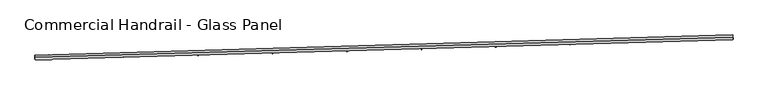
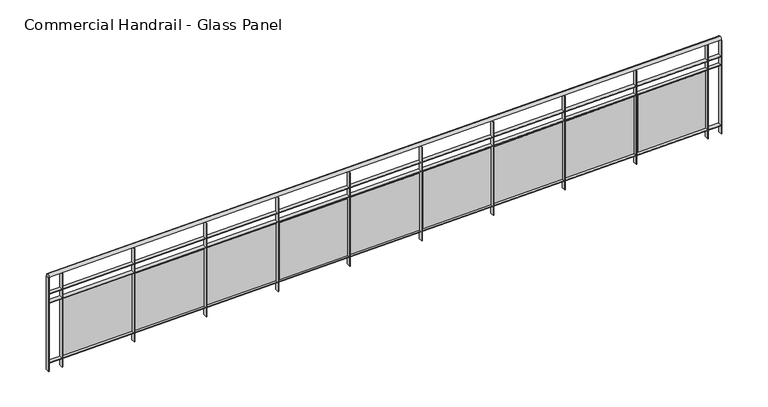
"""IFC4 building model written with IfcOpenShell, lengths in millimetres: railing geometry, Commercial Handrail - Glass Panel."""

from ifc_helpers import new_model, si_unit, point, frame, origin, place, context, project, spatial, polyline, circle_curve, ellipse_curve, trimmed, outline, extrude, source, transform, mapped, element, save
from ifc_brep_helpers import plane_surface, cylinder_surface, revolved_surface, advanced_brep


def commercial_handrail_glass_panel_e87361b5(model_context):
    return source(origin(), model_context, "Body", "SolidModel", [
        advanced_brep(
        [(92002.383663, -32667.3922557, 12882.5), (99494.9420754, -32451.0584411, 12882.5), (99494.9420754, -32451.0584411, 12917.5), (92002.383663, -32667.3922557, 12917.5)],
        [
            (0, 1, circle_curve(frame((80860.2598568, 483089.3774887, 12882.5), z_axis=(0.0, 0.0, 1.0), x_axis=(0.0361223280953345, -0.9993473757472788, 0.0)), 515877.1098432)),
            (1, 2, ellipse_curve(frame((99494.9420754, -32451.0584411, 12900.0), z_axis=(-0.9993473757472793, -0.03612232809532802, 0.0), x_axis=(-0.03612232809532801, 0.999347375747279, 0.0)), 25.0, 17.5)),
            (2, 3, circle_curve(frame((80860.2598568, 483089.3774887, 12917.5), z_axis=(0.0, 0.0, -1.0), x_axis=(0.0361223280953345, -0.9993473757472788, 0.0)), 515877.1098432)),
            (3, 0, ellipse_curve(frame((92002.383663, -32667.3922557, 12900.0), z_axis=(0.9997667271983505, 0.021598407050044104, 0.0), x_axis=(-0.0215984070500441, 0.9997667271983502, 0.0)), 25.0, 17.5)),
            (2, 1, ellipse_curve(frame((99494.9420754, -32451.0584411, 12900.0), z_axis=(-0.9993473757472793, -0.03612232809532802, 0.0), x_axis=(-0.03612232809532801, 0.999347375747279, 0.0)), 25.0, 17.5)),
            (0, 3, ellipse_curve(frame((92002.383663, -32667.3922557, 12900.0), z_axis=(0.9997667271983505, 0.021598407050044104, 0.0), x_axis=(-0.0215984070500441, 0.9997667271983502, 0.0)), 25.0, 17.5)),
        ],
        [
            revolved_surface(trimmed(ellipse_curve(frame((99494.9420754, -32451.0584411, 12900.0), z_axis=(0.9993473757472788, 0.036122328095334506, 0.0), x_axis=(0.0, 0.0, -1.0)), 17.5, 25.0), [point((99494.9420754, -32451.0584411, 12917.5))], [point((99494.9420754, -32451.0584411, 12882.5))], True, "CARTESIAN"), (80860.2598568, 483089.3774887, 12900.0), (0.0, 0.0, -1.0)),
            revolved_surface(trimmed(ellipse_curve(frame((99494.9420754, -32451.0584411, 12900.0), z_axis=(0.9993473757472788, 0.036122328095334506, 0.0), x_axis=(0.0, 0.0, -1.0)), 17.5, 25.0), [point((99494.9420754, -32451.0584411, 12882.5))], [point((99494.9420754, -32451.0584411, 12917.5))], True, "CARTESIAN"), (80860.2598568, 483089.3774887, 12900.0), (0.0, 0.0, -1.0)),
            plane_surface(frame((99494.9420754, -32451.0584411, 12900.0), z_axis=(0.9993473757472789, 0.03612232809533451, 0.0), x_axis=(0.03612232809533451, -0.9993473757472789, 0.0))),
            plane_surface(frame((92002.383663, -32667.3922557, 12900.0), z_axis=(-0.9997667271983504, -0.021598407050044077, 0.0), x_axis=(0.021598407050044077, -0.9997667271983504, 0.0))),
        ],
        [
            (0, [[1, 2, 3, 4]]),
            (1, [[-3, 5, -1, 6]]),
            (2, [[-2, -5]]),
            (3, [[-6, -4]]),
        ],
    ),
        advanced_brep(
        [(92002.8696271, -32689.8870071, 12700.0), (99495.7548278, -32473.5437571, 12700.0), (99494.129323, -32428.5731252, 12700.0), (92001.8976988, -32644.8975044, 12700.0), (92002.8696271, -32689.8870071, 12694.0), (99495.7548278, -32473.5437571, 12694.0), (92001.8976988, -32644.8975044, 12694.0), (99494.129323, -32428.5731252, 12694.0)],
        [
            (0, 1, circle_curve(frame((80860.2598568, 483089.3774887, 12700.0), z_axis=(0.0, 0.0, 1.0), x_axis=(0.0361223280953345, -0.9993473757472788, 0.0)), 515899.6098432)),
            (1, 2),
            (2, 3, circle_curve(frame((80860.2598568, 483089.3774887, 12700.0), z_axis=(0.0, 0.0, -1.0), x_axis=(0.0361223280953345, -0.9993473757472788, 0.0)), 515854.6098432)),
            (3, 0),
            (4, 5, circle_curve(frame((80860.2598568, 483089.3774887, 12694.0), z_axis=(0.0, 0.0, 1.0), x_axis=(0.0361223280953345, -0.9993473757472788, 0.0)), 515899.6098432)),
            (5, 1),
            (0, 4),
            (6, 7, circle_curve(frame((80860.2598568, 483089.3774887, 12694.0), z_axis=(0.0, 0.0, 1.0), x_axis=(0.0361223280953345, -0.9993473757472788, 0.0)), 515854.6098432)),
            (7, 5),
            (4, 6),
            (2, 7),
            (6, 3),
        ],
        [
            plane_surface(frame((80860.2598568, 483089.3774887, 12700.0), z_axis=(0.0, 0.0, 1.0), x_axis=(0.036122328095334506, -0.9993473757472789, 0.0))),
            cylinder_surface(frame((80860.2598568, 483089.3774887, 12700.0), z_axis=(0.0, 0.0, -1.0), x_axis=(0.0361223280953345, -0.9993473757472788, 0.0)), 515899.6098432),
            plane_surface(frame((80860.2598568, 483089.3774887, 12694.0), z_axis=(0.0, 0.0, -1.0), x_axis=(0.036122328095334506, -0.9993473757472789, 0.0))),
            revolved_surface(polyline([(99494.12932304683, -32428.573125238356, 12694.0), (99494.12932304683, -32428.573125238356, 12700.0)]), (80860.2598568, 483089.3774887, 12700.0), (0.0, 0.0, -1.0)),
            plane_surface(frame((99494.9420754, -32451.0584411, 12700.0), z_axis=(0.9993473757472789, 0.03612232809533451, 0.0), x_axis=(0.03612232809533451, -0.9993473757472789, 0.0))),
            plane_surface(frame((92002.383663, -32667.3922557, 12700.0), z_axis=(-0.9997667271983504, -0.021598407050044077, 0.0), x_axis=(0.021598407050044077, -0.9997667271983504, 0.0))),
        ],
        [
            (0, [[1, 2, 3, 4]]),
            (1, [[5, 6, -1, 7]]),
            (2, [[8, 9, -5, 10]]),
            (3, [[-3, 11, -8, 12]]),
            (4, [[-2, -6, -9, -11]]),
            (5, [[-12, -10, -7, -4]]),
        ],
    ),
        advanced_brep(
        [(92002.8696271, -32689.8870071, 12600.0), (99495.7548278, -32473.5437571, 12600.0), (99494.129323, -32428.5731252, 12600.0), (92001.8976988, -32644.8975044, 12600.0), (92002.8696271, -32689.8870071, 12594.0), (99495.7548278, -32473.5437571, 12594.0), (92001.8976988, -32644.8975044, 12594.0), (99494.129323, -32428.5731252, 12594.0)],
        [
            (0, 1, circle_curve(frame((80860.2598568, 483089.3774887, 12600.0), z_axis=(0.0, 0.0, 1.0), x_axis=(0.0361223280953345, -0.9993473757472788, 0.0)), 515899.6098432)),
            (1, 2),
            (2, 3, circle_curve(frame((80860.2598568, 483089.3774887, 12600.0), z_axis=(0.0, 0.0, -1.0), x_axis=(0.0361223280953345, -0.9993473757472788, 0.0)), 515854.6098432)),
            (3, 0),
            (4, 5, circle_curve(frame((80860.2598568, 483089.3774887, 12594.0), z_axis=(0.0, 0.0, 1.0), x_axis=(0.0361223280953345, -0.9993473757472788, 0.0)), 515899.6098432)),
            (5, 1),
            (0, 4),
            (6, 7, circle_curve(frame((80860.2598568, 483089.3774887, 12594.0), z_axis=(0.0, 0.0, 1.0), x_axis=(0.0361223280953345, -0.9993473757472788, 0.0)), 515854.6098432)),
            (7, 5),
            (4, 6),
            (2, 7),
            (6, 3),
        ],
        [
            plane_surface(frame((80860.2598568, 483089.3774887, 12600.0), z_axis=(0.0, 0.0, 1.0), x_axis=(0.036122328095334506, -0.9993473757472789, 0.0))),
            cylinder_surface(frame((80860.2598568, 483089.3774887, 12600.0), z_axis=(0.0, 0.0, -1.0), x_axis=(0.0361223280953345, -0.9993473757472788, 0.0)), 515899.6098432),
            plane_surface(frame((80860.2598568, 483089.3774887, 12594.0), z_axis=(0.0, 0.0, -1.0), x_axis=(0.036122328095334506, -0.9993473757472789, 0.0))),
            revolved_surface(polyline([(99494.12932304683, -32428.573125238356, 12594.0), (99494.12932304683, -32428.573125238356, 12600.0)]), (80860.2598568, 483089.3774887, 12600.0), (0.0, 0.0, -1.0)),
            plane_surface(frame((99494.9420754, -32451.0584411, 12600.0), z_axis=(0.9993473757472789, 0.03612232809533451, 0.0), x_axis=(0.03612232809533451, -0.9993473757472789, 0.0))),
            plane_surface(frame((92002.383663, -32667.3922557, 12600.0), z_axis=(-0.9997667271983504, -0.021598407050044077, 0.0), x_axis=(0.021598407050044077, -0.9997667271983504, 0.0))),
        ],
        [
            (0, [[1, 2, 3, 4]]),
            (1, [[5, 6, -1, 7]]),
            (2, [[8, 9, -5, 10]]),
            (3, [[-3, 11, -8, 12]]),
            (4, [[-2, -6, -9, -11]]),
            (5, [[-12, -10, -7, -4]]),
        ],
    ),
        advanced_brep(
        [(92002.8696271, -32689.8870071, 11900.0), (99495.7548278, -32473.5437571, 11900.0), (99494.129323, -32428.5731252, 11900.0), (92001.8976988, -32644.8975044, 11900.0), (92002.8696271, -32689.8870071, 11894.0), (99495.7548278, -32473.5437571, 11894.0), (92001.8976988, -32644.8975044, 11894.0), (99494.129323, -32428.5731252, 11894.0)],
        [
            (0, 1, circle_curve(frame((80860.2598568, 483089.3774887, 11900.0), z_axis=(0.0, 0.0, 1.0), x_axis=(0.0361223280953345, -0.9993473757472788, 0.0)), 515899.6098432)),
            (1, 2),
            (2, 3, circle_curve(frame((80860.2598568, 483089.3774887, 11900.0), z_axis=(0.0, 0.0, -1.0), x_axis=(0.0361223280953345, -0.9993473757472788, 0.0)), 515854.6098432)),
            (3, 0),
            (4, 5, circle_curve(frame((80860.2598568, 483089.3774887, 11894.0), z_axis=(0.0, 0.0, 1.0), x_axis=(0.0361223280953345, -0.9993473757472788, 0.0)), 515899.6098432)),
            (5, 1),
            (0, 4),
            (6, 7, circle_curve(frame((80860.2598568, 483089.3774887, 11894.0), z_axis=(0.0, 0.0, 1.0), x_axis=(0.0361223280953345, -0.9993473757472788, 0.0)), 515854.6098432)),
            (7, 5),
            (4, 6),
            (2, 7),
            (6, 3),
        ],
        [
            plane_surface(frame((80860.2598568, 483089.3774887, 11900.0), z_axis=(0.0, 0.0, 1.0), x_axis=(0.036122328095334506, -0.9993473757472789, 0.0))),
            cylinder_surface(frame((80860.2598568, 483089.3774887, 11900.0), z_axis=(0.0, 0.0, -1.0), x_axis=(0.0361223280953345, -0.9993473757472788, 0.0)), 515899.6098432),
            plane_surface(frame((80860.2598568, 483089.3774887, 11894.0), z_axis=(0.0, 0.0, -1.0), x_axis=(0.036122328095334506, -0.9993473757472789, 0.0))),
            revolved_surface(polyline([(99494.12932304683, -32428.573125238356, 11894.0), (99494.12932304683, -32428.573125238356, 11900.0)]), (80860.2598568, 483089.3774887, 11900.0), (0.0, 0.0, -1.0)),
            plane_surface(frame((99494.9420754, -32451.0584411, 11900.0), z_axis=(0.9993473757472789, 0.03612232809533451, 0.0), x_axis=(0.03612232809533451, -0.9993473757472789, 0.0))),
            plane_surface(frame((92002.383663, -32667.3922557, 11900.0), z_axis=(-0.9997667271983504, -0.021598407050044077, 0.0), x_axis=(0.021598407050044077, -0.9997667271983504, 0.0))),
        ],
        [
            (0, [[1, 2, 3, 4]]),
            (1, [[5, 6, -1, 7]]),
            (2, [[8, 9, -5, 10]]),
            (3, [[-3, 11, -8, 12]]),
            (4, [[-2, -6, -9, -11]]),
            (5, [[-12, -10, -7, -4]]),
        ],
    ),
        extrude(outline(polyline([(92152.728988, -32641.616971), (92153.7138122, -32686.6061932), (92147.7152493, -32686.7375031), (92146.730425, -32641.7482809), (92152.728988, -32641.616971)])), frame((0.0, 0.0, 11800.0), z_axis=(0.0, 0.0, 1.0), x_axis=(1.0, 0.0, 0.0)), (0.0, 0.0, 1.0), 1082.1192282),
        extrude(outline(polyline([(92930.1612694, -32652.6558005), (92170.3564181, -32669.8775298), (92170.0844961, -32657.8806111), (92929.8893474, -32640.6588818), (92930.1612694, -32652.6558005)])), frame((0.0, 0.0, 11920.0), z_axis=(0.0, 0.0, 1.0), x_axis=(1.0, 0.0, 0.0)), (0.0, 0.0, 1.0), 660.0),
        extrude(outline(polyline([(92952.4884996, -32623.4849763), (92953.5430901, -32668.4726173), (92947.5447379, -32668.6132293), (92946.4901475, -32623.6255884), (92952.4884996, -32623.4849763)])), frame((0.0, 0.0, 11800.0), z_axis=(0.0, 0.0, 1.0), x_axis=(1.0, 0.0, 0.0)), (0.0, 0.0, 1.0), 1082.1192282),
        extrude(outline(polyline([(93729.9369648, -32633.3181846), (92970.1597338, -32651.7181653), (92969.8692078, -32639.7216827), (93729.6464388, -32621.321702), (93729.9369648, -32633.3181846)])), frame((0.0, 0.0, 11920.0), z_axis=(0.0, 0.0, 1.0), x_axis=(1.0, 0.0, 0.0)), (0.0, 0.0, 1.0), 660.0),
        extrude(outline(polyline([(93752.2189314, -32604.1127714), (93753.3432854, -32649.0987228), (93747.3451585, -32649.2486367), (93746.2208045, -32604.2626853), (93752.2189314, -32604.1127714)])), frame((0.0, 0.0, 11800.0), z_axis=(0.0, 0.0, 1.0), x_axis=(1.0, 0.0, 0.0)), (0.0, 0.0, 1.0), 1082.1192282),
        extrude(outline(polyline([(94529.6817106, -32612.7403348), (93769.9339271, -32632.3185227), (93769.6247978, -32620.322505), (94529.3725813, -32600.7443171), (94529.6817106, -32612.7403348)])), frame((0.0, 0.0, 11920.0), z_axis=(0.0, 0.0, 1.0), x_axis=(1.0, 0.0, 0.0)), (0.0, 0.0, 1.0), 660.0),
        extrude(outline(polyline([(94551.9183599, -32583.5004028), (94553.1124748, -32628.4845565), (94547.1145876, -32628.6437718), (94545.9204727, -32583.6596181), (94551.9183599, -32583.5004028)])), frame((0.0, 0.0, 11800.0), z_axis=(0.0, 0.0, 1.0), x_axis=(1.0, 0.0, 0.0)), (0.0, 0.0, 1.0), 1082.1192282),
        extrude(outline(polyline([(95329.3935836, -32590.9223004), (94569.6770746, -32611.6786485), (94569.3493428, -32599.6831246), (95329.0658518, -32578.9267766), (95329.3935836, -32590.9223004)])), frame((0.0, 0.0, 11920.0), z_axis=(0.0, 0.0, 1.0), x_axis=(1.0, 0.0, 0.0)), (0.0, 0.0, 1.0), 660.0),
        extrude(outline(polyline([(95351.5848621, -32561.64792), (95352.848735, -32606.6301679), (95346.851102, -32606.7986842), (95345.587229, -32561.8164364), (95351.5848621, -32561.64792)])), frame((0.0, 0.0, 11800.0), z_axis=(0.0, 0.0, 1.0), x_axis=(1.0, 0.0, 0.0)), (0.0, 0.0, 1.0), 1082.1192282),
        extrude(outline(polyline([(96129.0706605, -32567.8641341), (95369.387253, -32589.7985923), (95369.0409195, -32577.8035912), (96128.7243269, -32555.869133), (96129.0706605, -32567.8641341)])), frame((0.0, 0.0, 11920.0), z_axis=(0.0, 0.0, 1.0), x_axis=(1.0, 0.0, 0.0)), (0.0, 0.0, 1.0), 660.0),
        extrude(outline(polyline([(96151.2165149, -32538.5553756), (96152.5501428, -32583.5356094), (96146.5527783, -32583.7134265), (96145.2191504, -32538.7331926), (96151.2165149, -32538.5553756)])), frame((0.0, 0.0, 11800.0), z_axis=(0.0, 0.0, 1.0), x_axis=(1.0, 0.0, 0.0)), (0.0, 0.0, 1.0), 1082.1192282),
        extrude(outline(polyline([(96928.7110182, -32543.5658913), (96169.0625392, -32566.678407), (96168.6976048, -32554.6839573), (96928.3460838, -32531.5714416), (96928.7110182, -32543.5658913)])), frame((0.0, 0.0, 11920.0), z_axis=(0.0, 0.0, 1.0), x_axis=(1.0, 0.0, 0.0)), (0.0, 0.0, 1.0), 660.0),
        extrude(outline(polyline([(96950.8113953, -32514.2228252), (96952.214775, -32559.2009368), (96946.2176934, -32559.3880541), (96944.8143137, -32514.4099424), (96950.8113953, -32514.2228252)])), frame((0.0, 0.0, 11800.0), z_axis=(0.0, 0.0, 1.0), x_axis=(1.0, 0.0, 0.0)), (0.0, 0.0, 1.0), 1082.1192282),
        extrude(outline(polyline([(97728.3127338, -32518.0276303), (96968.7010101, -32542.3181479), (96968.3174756, -32530.3242785), (97727.9291993, -32506.033761), (97728.3127338, -32518.0276303)])), frame((0.0, 0.0, 11920.0), z_axis=(0.0, 0.0, 1.0), x_axis=(1.0, 0.0, 0.0)), (0.0, 0.0, 1.0), 660.0),
        extrude(outline(polyline([(97750.3675803, -32488.6503272), (97751.8407084, -32533.6262084), (97745.8439243, -32533.8226255), (97744.3707962, -32488.8467443), (97750.3675803, -32488.6503272)])), frame((0.0, 0.0, 11800.0), z_axis=(0.0, 0.0, 1.0), x_axis=(1.0, 0.0, 0.0)), (0.0, 0.0, 1.0), 1082.1192282),
        extrude(outline(polyline([(98527.8738843, -32491.2494127), (97768.3007427, -32516.7178737), (97767.8986091, -32504.7246135), (98527.4717507, -32479.2561525), (98527.8738843, -32491.2494127)])), frame((0.0, 0.0, 11920.0), z_axis=(0.0, 0.0, 1.0), x_axis=(1.0, 0.0, 0.0)), (0.0, 0.0, 1.0), 660.0),
        extrude(outline(polyline([(98549.8831473, -32461.8379432), (98551.4260203, -32506.8114859), (98545.4295479, -32507.0172022), (98543.8866749, -32462.0436595), (98549.8831473, -32461.8379432)])), frame((0.0, 0.0, 11800.0), z_axis=(0.0, 0.0, 1.0), x_axis=(1.0, 0.0, 0.0)), (0.0, 0.0, 1.0), 1082.1192282),
        extrude(outline(polyline([(99327.3925469, -32463.2313027), (98567.859814, -32489.8776459), (98567.4390823, -32477.8850238), (99326.9718152, -32451.2386806), (99327.3925469, -32463.2313027)])), frame((0.0, 0.0, 11920.0), z_axis=(0.0, 0.0, 1.0), x_axis=(1.0, 0.0, 0.0)), (0.0, 0.0, 1.0), 660.0),
        extrude(outline(polyline([(99349.3561734, -32433.7857376), (99350.9687875, -32478.7568336), (99344.9726414, -32478.9718488), (99343.3600273, -32434.0007528), (99349.3561734, -32433.7857376)])), frame((0.0, 0.0, 11800.0), z_axis=(0.0, 0.0, 1.0), x_axis=(1.0, 0.0, 0.0)), (0.0, 0.0, 1.0), 1082.1192282),
        extrude(outline(polyline([(92004.896999, -32644.8327091), (92005.8689273, -32689.8222119), (91999.870327, -32689.9518023), (91998.8983986, -32644.9622996), (92004.896999, -32644.8327091)])), frame((0.0, 0.0, 11800.0), z_axis=(0.0, 0.0, 1.0), x_axis=(1.0, 0.0, 0.0)), (0.0, 0.0, 1.0), 1082.1192282),
        extrude(outline(polyline([(99497.1273652, -32428.4647582), (99498.7528699, -32473.4353901), (99492.7567857, -32473.6521241), (99491.1312809, -32428.6814922), (99497.1273652, -32428.4647582)])), frame((0.0, 0.0, 11800.0), z_axis=(0.0, 0.0, 1.0), x_axis=(1.0, 0.0, 0.0)), (0.0, 0.0, 1.0), 1082.1192282),
    ])


if __name__ == "__main__":
    model = new_model("IFC4")
    model_context = context("Model", 3, world=origin())
    ifc_project = project(units=[si_unit("LENGTHUNIT", "METRE", prefix="MILLI")], contexts=[model_context])
    site = spatial("IfcSite", under=ifc_project)
    building = spatial("IfcBuilding", under=site)
    placement = place(None, origin())
    commercial_handrail_glass_panel_shape = commercial_handrail_glass_panel_e87361b5(model_context)
    element("IfcRailing", 1, ObjectType="Commercial Handrail - Glass Panel", at=placement, inside=building, context=model_context, shape_type="MappedRepresentation", body=[
        mapped(commercial_handrail_glass_panel_shape, transform((0.0, 0.0, 0.0), x_axis=(1.0, 0.0, 0.0), y_axis=(0.0, 1.0, 0.0), z_axis=(0.0, 0.0, 1.0))),
    ])
    save(model, "model.ifc")
